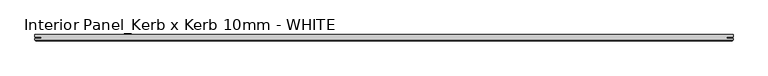
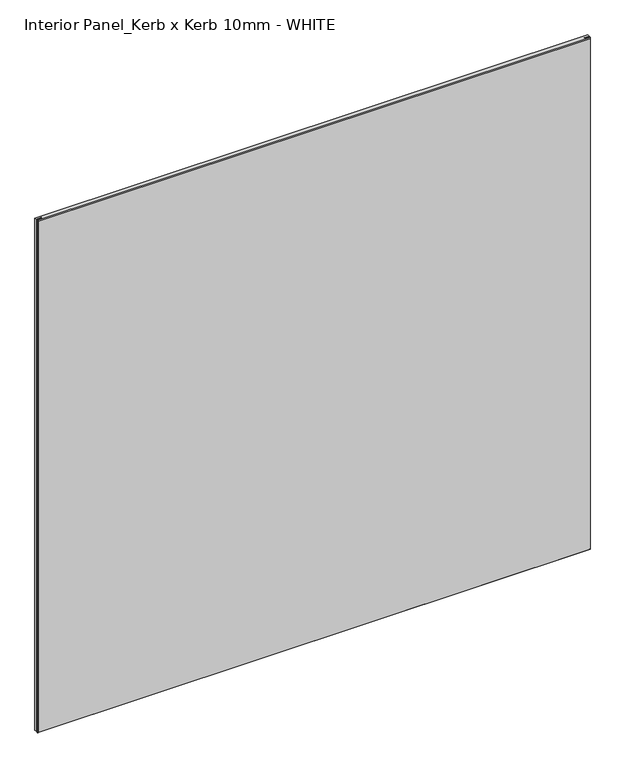
"""IFC4 building model written with IfcOpenShell, lengths in millimetres: proxy geometry, Interior Panel_Kerb x Kerb 10mm - WHITE."""

import ifcopenshell
import ifcopenshell.guid

model = None  # the IFC model being written
_history = None  # IfcOwnerHistory: only IFC2X3 demands one
_inside = {}  # id of a spatial element -> (the spatial element, [elements in it])
_under = {}  # id of a project, library or spatial element -> (it, [spatial elements below it])
_declared = {}  # id of a project -> (the project, [libraries it declares])
_typed = {}  # id of a type object -> (the type object, [elements of that type])
_made_of = {}  # id of a material, layer set ... -> (it, [elements and type objects made of it])


def new_model(schema):
    """Start an empty IFC model of exactly this schema.

    Asked for "IFC4X3", IfcOpenShell would pick the latest addendum, in which some entities
    have other attributes; the version numbers below select the first issue.
    IFC2X3 requires an IfcOwnerHistory on every rooted entity: one is made here for all.
    """
    global model, _history
    if schema == "IFC4X3":
        model = ifcopenshell.file(schema_version=(4, 3, 0, 0))
    else:
        model = ifcopenshell.file(schema=schema)
    _inside.clear()
    _under.clear()
    _declared.clear()
    _typed.clear()
    _made_of.clear()
    _history = None
    if model.schema == "IFC2X3":
        org = make("IfcOrganization", Name="unknown")
        user = make(
            "IfcPersonAndOrganization",
            ThePerson=make("IfcPerson", FamilyName="unknown"),
            TheOrganization=org,
        )
        app = make(
            "IfcApplication",
            ApplicationDeveloper=org,
            Version="unknown",
            ApplicationFullName="unknown",
            ApplicationIdentifier="unknown",
        )
        _history = make(
            "IfcOwnerHistory",
            OwningUser=user,
            OwningApplication=app,
            ChangeAction="ADDED",
            CreationDate=0,
        )
    return model


def make(cls, **values):
    """One entity of the class cls with the attributes given. An attribute that is None is left unset."""
    return model.create_entity(
        cls, **{name: value for name, value in values.items() if value is not None}
    )


def rooted(cls, **values):
    """An entity with a GlobalId (a new one), such as an element, a storey or a relation."""
    return make(cls, GlobalId=ifcopenshell.guid.new(), OwnerHistory=_history, **values)


def si_unit(unit_type, name, prefix=None):
    """IfcSIUnit, for example si_unit("LENGTHUNIT", "METRE", prefix="MILLI")."""
    return make("IfcSIUnit", UnitType=unit_type, Prefix=prefix, Name=name)


def assignment(units):
    """IfcUnitAssignment: the units of a project."""
    return None if units is None else make("IfcUnitAssignment", Units=units)


def point(xyz):
    """IfcCartesianPoint."""
    return None if xyz is None else make("IfcCartesianPoint", Coordinates=xyz)


def direction(xyz):
    """IfcDirection."""
    return None if xyz is None else make("IfcDirection", DirectionRatios=xyz)


def frame(location, z_axis=None, x_axis=None):
    """IfcAxis2Placement3D, a coordinate frame: its origin and axes. An axis left out is left unset."""
    return make(
        "IfcAxis2Placement3D",
        Location=point(location),
        Axis=direction(z_axis),
        RefDirection=direction(x_axis),
    )


def origin():
    """The frame at (0, 0, 0) with its axes left unset."""
    return frame((0.0, 0.0, 0.0))


def place(relative_to, where):
    """IfcLocalPlacement: puts the frame where relative to a parent placement (None: the world)."""
    return make(
        "IfcLocalPlacement", PlacementRelTo=relative_to, RelativePlacement=where
    )


def context(
    kind, dimensions, precision=None, world=None, true_north=None, identifier=None
):
    """IfcGeometricRepresentationContext, for example the 3D "Model" context."""
    return make(
        "IfcGeometricRepresentationContext",
        ContextIdentifier=identifier,
        ContextType=kind,
        CoordinateSpaceDimension=dimensions,
        Precision=precision,
        WorldCoordinateSystem=world,
        TrueNorth=true_north,
    )


def project(units=None, contexts=None):
    """IfcProject with its units and contexts."""
    return rooted(
        "IfcProject",
        Name="project",
        RepresentationContexts=contexts,
        UnitsInContext=assignment(units),
    )


def spatial(cls, under=None, at=None, **own):
    """A site, building, storey or space (cls), placed at a placement, below another one or the project."""
    s = rooted(cls, ObjectPlacement=at, **own)
    if under is not None:
        _under.setdefault(under.id(), (under, []))[1].append(s)
    return s


def faces_of(points, faces, orient=None, outer=None):
    """IfcFace entities. A face is a list of loops; a loop is a list of indices into points, from 0.

    orient and outer hold one flag for each loop. By default every Orientation is true, the
    first loop of a face is its IfcFaceOuterBound and the others are IfcFaceBound.
    """
    made = []
    for i, loops in enumerate(faces):
        bounds = []
        for j, loop in enumerate(loops):
            is_outer = j == 0 if outer is None else outer[i][j]
            bounds.append(
                make(
                    "IfcFaceOuterBound" if is_outer else "IfcFaceBound",
                    Bound=make("IfcPolyLoop", Polygon=[points[k] for k in loop]),
                    Orientation=True if orient is None else orient[i][j],
                )
            )
        made.append(make("IfcFace", Bounds=bounds))
    return made


def faceted_brep(points, faces, orient=None, outer=None, voids=None):
    """IfcFacetedBrep: a solid bounded by flat faces; with voids (closed shells), ...WithVoids."""
    shared = [point(p) for p in points]
    hull = make("IfcClosedShell", CfsFaces=faces_of(shared, faces, orient, outer))
    if voids is None:
        return make("IfcFacetedBrep", Outer=hull)
    return make(
        "IfcFacetedBrepWithVoids",
        Outer=hull,
        Voids=[
            make(cls, CfsFaces=faces_of(shared, fs, o, b)) for cls, fs, o, b in voids
        ],
    )


def shape(context_of_items, identifier, shape_type, items):
    """IfcShapeRepresentation: the items that make up one representation, for example the "Body"."""
    return make(
        "IfcShapeRepresentation",
        ContextOfItems=context_of_items,
        RepresentationIdentifier=identifier,
        RepresentationType=shape_type,
        Items=items,
    )


def source(mapping_origin, context_of_items, identifier, shape_type, items):
    """IfcRepresentationMap: a shape defined once, which mapped items show again and again."""
    return make(
        "IfcRepresentationMap",
        MappingOrigin=mapping_origin,
        MappedRepresentation=shape(context_of_items, identifier, shape_type, items),
    )


def transform(
    local_origin,
    x_axis=None,
    y_axis=None,
    z_axis=None,
    scale=None,
    scale2=None,
    scale3=None,
    uniform=True,
):
    """IfcCartesianTransformationOperator3D, or its non-uniform kind. x_axis, y_axis, z_axis: its Axis1, 2, 3."""
    if uniform:
        return make(
            "IfcCartesianTransformationOperator3D",
            Axis1=direction(x_axis),
            Axis2=direction(y_axis),
            LocalOrigin=point(local_origin),
            Scale=scale,
            Axis3=direction(z_axis),
        )
    return make(
        "IfcCartesianTransformationOperator3DnonUniform",
        Axis1=direction(x_axis),
        Axis2=direction(y_axis),
        LocalOrigin=point(local_origin),
        Scale=scale,
        Axis3=direction(z_axis),
        Scale2=scale2,
        Scale3=scale3,
    )


def mapped(mapping_source, mapping_target):
    """IfcMappedItem: shows the shape of a source again, moved by a transform."""
    return make(
        "IfcMappedItem", MappingSource=mapping_source, MappingTarget=mapping_target
    )


def made_of(thing, what):
    """Note that an element or type object is made of a material, layer set ...; save() writes the relation."""
    if what is not None:
        _made_of.setdefault(what.id(), (what, []))[1].append(thing)
    return thing


def element(
    cls,
    number,
    at=None,
    inside=None,
    cuts=None,
    type_object=None,
    material=None,
    context=None,
    identifier="Body",
    shape_type=None,
    held_by="IfcProductDefinitionShape",
    body=None,
    shapes=None,
    **own,
):
    """One element of the class cls, such as IfcWall. Its Tag is "e" and its number.

    at: its placement. inside: the storey or other place that contains it. cuts: it is an
    opening in that element (IfcRelVoidsElement). A single representation is given by context,
    identifier, shape_type and body (its items); several are given by shapes. held_by: the class
    of the entity that holds the representations. save() writes the other relations.
    """
    e = rooted(cls, Tag="e%d" % number, ObjectPlacement=at, **own)
    if body is not None:
        shapes = [shape(context, identifier, shape_type, body)]
    if shapes is not None:
        e.Representation = make(held_by, Representations=shapes)
    if inside is not None:
        _inside.setdefault(inside.id(), (inside, []))[1].append(e)
    if cuts is not None:
        rooted(
            "IfcRelVoidsElement", RelatingBuildingElement=cuts, RelatedOpeningElement=e
        )
    if type_object is not None:
        _typed.setdefault(type_object.id(), (type_object, []))[1].append(e)
    return made_of(e, material)


def aggregate(whole, parts):
    """IfcRelAggregates: a whole, such as a stair, and the parts it consists of."""
    return rooted("IfcRelAggregates", RelatingObject=whole, RelatedObjects=parts)


def save(model, path):
    """Write the relations noted so far, then the file.

    IfcRelAggregates (storeys below a building ...), IfcRelContainedInSpatialStructure (elements
    in a storey), IfcRelDefinesByType, IfcRelAssociatesMaterial and IfcRelDeclares: one each for
    every whole, place, type object, material and project.
    """
    for whole, parts in _under.values():
        aggregate(whole, parts)
    for where, things in _inside.values():
        rooted(
            "IfcRelContainedInSpatialStructure",
            RelatedElements=things,
            RelatingStructure=where,
        )
    for kind, things in _typed.values():
        rooted("IfcRelDefinesByType", RelatedObjects=things, RelatingType=kind)
    for what, things in _made_of.values():
        rooted("IfcRelAssociatesMaterial", RelatedObjects=things, RelatingMaterial=what)
    for by, libraries in _declared.values():
        rooted("IfcRelDeclares", RelatingContext=by, RelatedDefinitions=libraries)
    model.write(path)


def interior_panel_kerb_x_kerb_10mm_white_ab04a011(model_context):
    return source(origin(), model_context, "Body", "Brep", [
        faceted_brep([(990.6, 3.175, 1041.4), (-73.025, 3.175, 1041.4), (-73.025, -0.5207, 1041.4), (-63.2023437, -0.5207, 1041.4), (-63.2023437, -2.6543, 1041.4), (-73.025, -2.6543, 1041.4), (-73.025, -4.7625, 1041.4), (990.6, -4.7625, 1041.4), (990.6, -2.6543, 1041.4), (980.7773437, -2.6543, 1041.4), (980.7773437, -0.5207, 1041.4), (990.6, -0.5207, 1041.4), (990.6, 3.175, 0.0), (990.6, -0.5207, 0.0), (980.7773437, -0.5207, 0.0), (980.7773437, -2.6543, 0.0), (990.6, -2.6543, 0.0), (990.6, -4.7625, 0.0), (-73.025, -4.7625, 0.0), (-73.025, -2.6543, 0.0), (-63.2023437, -2.6543, 0.0), (-63.2023437, -0.5207, 0.0), (-73.025, -0.5207, 0.0), (-73.025, 3.175, 0.0), (-71.4375, -6.35, 1039.8125), (-71.4375, -6.35, 1.5875), (989.0125, -6.35, 1.5875), (989.0125, -6.35, 1039.8125)], [[[0, 1, 2, 3, 4, 5, 6, 7, 8, 9, 10, 11]], [[12, 13, 14, 15, 16, 17, 18, 19, 20, 21, 22, 23]], [[1, 0, 12, 23]], [[6, 5, 19, 18]], [[24, 25, 26, 27]], [[8, 7, 17, 16]], [[6, 18, 25, 24]], [[17, 7, 27, 26]], [[7, 6, 24, 27]], [[18, 17, 26, 25]], [[9, 8, 16, 15]], [[10, 9, 15, 14]], [[11, 10, 14, 13]], [[0, 11, 13, 12]], [[2, 1, 23, 22]], [[3, 2, 22, 21]], [[4, 3, 21, 20]], [[5, 4, 20, 19]]]),
    ])


if __name__ == "__main__":
    model = new_model("IFC4")
    model_context = context("Model", 3, world=origin())
    ifc_project = project(units=[si_unit("LENGTHUNIT", "METRE", prefix="MILLI")], contexts=[model_context])
    site = spatial("IfcSite", under=ifc_project)
    building = spatial("IfcBuilding", under=site)
    placement = place(None, origin())
    interior_panel_kerb_x_kerb_10mm_white_shape = interior_panel_kerb_x_kerb_10mm_white_ab04a011(model_context)
    element("IfcBuildingElementProxy", 1, Name="Interior Panel_Kerb x Kerb 10mm - WHITE", ObjectType="Interior Panel_Kerb x Kerb 10mm - WHITE", at=placement, inside=building, context=model_context, shape_type="MappedRepresentation", body=[
        mapped(interior_panel_kerb_x_kerb_10mm_white_shape, transform((0.0, 0.0, 0.0), x_axis=(1.0, 0.0, 0.0), y_axis=(0.0, 1.0, 0.0), z_axis=(0.0, 0.0, 1.0))),
    ])
    save(model, "model.ifc")
